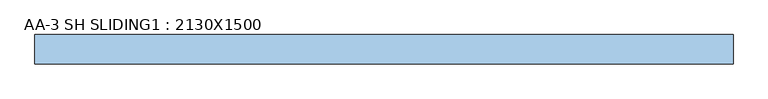
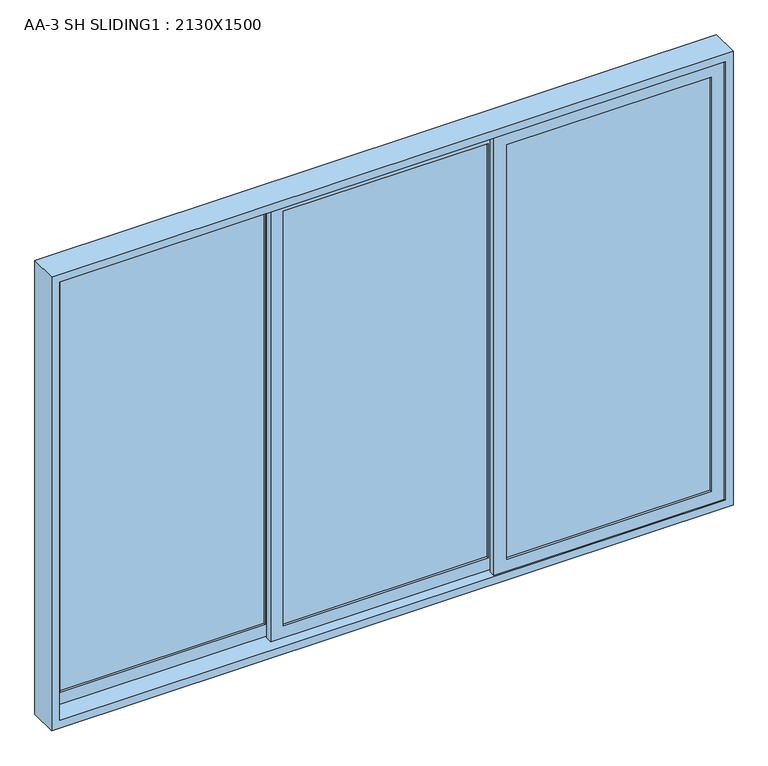
"""IFC4 building model written with IfcOpenShell, lengths in millimetres: window geometry, AA-3 SH SLIDING1 : 2130X1500."""

from ifc_helpers import new_model, si_unit, frame, origin, place, context, project, spatial, polyline, outline, extrude, source, transform, mapped, element, save


def aa_3_sh_sliding1_2130x1500_b412106f(model_context):
    return source(origin(), model_context, "Body", "SweptSolid", [
        extrude(outline(polyline([(920.0, -33.0), (280.0, -33.0), (280.0, -27.0), (920.0, -27.0), (920.0, -33.0)])), frame((0.0, 0.0, 965.0), z_axis=(0.0, 0.0, 1.0), x_axis=(1.0, 0.0, 0.0)), (0.0, 0.0, 1.0), 1370.0),
        extrude(outline(polyline([(240.0, -3.0), (-400.0, -3.0), (-400.0, 3.0), (240.0, 3.0), (240.0, -3.0)])), frame((0.0, 0.0, 965.0), z_axis=(0.0, 0.0, 1.0), x_axis=(1.0, 0.0, 0.0)), (0.0, 0.0, 1.0), 1370.0),
        extrude(outline(polyline([(-440.0, 27.0), (-1080.0, 27.0), (-1080.0, 33.0), (-440.0, 33.0), (-440.0, 27.0)])), frame((0.0, 0.0, 965.0), z_axis=(0.0, 0.0, 1.0), x_axis=(1.0, 0.0, 0.0)), (0.0, 0.0, 1.0), 1370.0),
        extrude(outline(polyline([(2375.0, 960.0), (2375.0, 240.0), (925.0, 240.0), (925.0, 960.0), (2375.0, 960.0)]), holes=[polyline([(2335.0, 920.0), (965.0, 920.0), (965.0, 280.0), (2335.0, 280.0), (2335.0, 920.0)])]), frame((0.0, -40.0, 0.0), z_axis=(0.0, 1.0, 0.0), x_axis=(0.0, 0.0, 1.0)), (0.0, 0.0, 1.0), 20.0),
        extrude(outline(polyline([(2375.0, 280.0), (2375.0, -440.0), (925.0, -440.0), (925.0, 280.0), (2375.0, 280.0)]), holes=[polyline([(2335.0, -400.0), (2335.0, 240.0), (965.0, 240.0), (965.0, -400.0), (2335.0, -400.0)])]), frame((0.0, -10.0, 0.0), z_axis=(0.0, 1.0, 0.0), x_axis=(0.0, 0.0, 1.0)), (0.0, 0.0, 1.0), 20.0),
        extrude(outline(polyline([(2375.0, -400.0), (2375.0, -1120.0), (925.0, -1120.0), (925.0, -400.0), (2375.0, -400.0)]), holes=[polyline([(2335.0, -440.0), (965.0, -440.0), (965.0, -1080.0), (2335.0, -1080.0), (2335.0, -440.0)])]), frame((0.0, 20.0, 0.0), z_axis=(0.0, 1.0, 0.0), x_axis=(0.0, 0.0, 1.0)), (0.0, 0.0, 1.0), 20.0),
        extrude(outline(polyline([(2400.0, -1145.0), (900.0, -1145.0), (900.0, 985.0), (2400.0, 985.0), (2400.0, -1145.0)]), holes=[polyline([(2375.0, -1120.0), (2375.0, 960.0), (925.0, 960.0), (925.0, -1120.0), (2375.0, -1120.0)])]), frame((0.0, -45.0, 0.0), z_axis=(0.0, 1.0, 0.0), x_axis=(0.0, 0.0, 1.0)), (0.0, 0.0, 1.0), 90.0),
    ])


if __name__ == "__main__":
    model = new_model("IFC4")
    model_context = context("Model", 3, world=origin())
    ifc_project = project(units=[si_unit("LENGTHUNIT", "METRE", prefix="MILLI")], contexts=[model_context])
    site = spatial("IfcSite", under=ifc_project)
    building = spatial("IfcBuilding", under=site)
    placement = place(None, origin())
    aa_3_sh_sliding1_2130x1500_shape = aa_3_sh_sliding1_2130x1500_b412106f(model_context)
    element("IfcWindow", 1, ObjectType="AA-3 SH SLIDING1 : 2130X1500", at=placement, inside=building, context=model_context, shape_type="MappedRepresentation", body=[
        mapped(aa_3_sh_sliding1_2130x1500_shape, transform((0.0, 0.0, 0.0), x_axis=(1.0, 0.0, 0.0), y_axis=(0.0, 1.0, 0.0), z_axis=(0.0, 0.0, 1.0))),
    ])
    save(model, "model.ifc")
